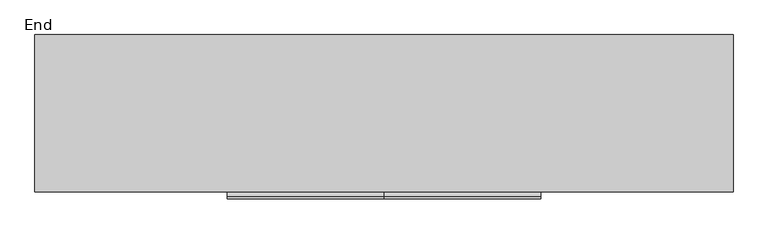
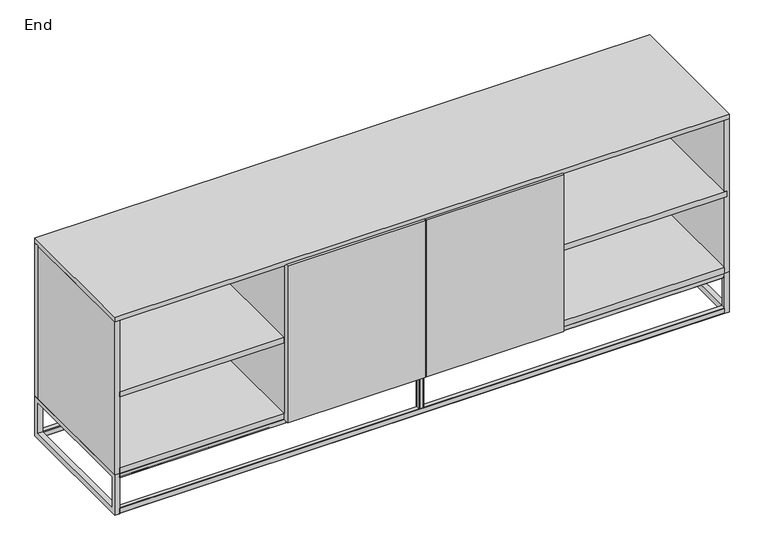
"""IFC4 building model written with IfcOpenShell, lengths in millimetres: furniture geometry, End."""

from ifc_helpers import new_model, si_unit, point, frame, frame_2d, origin, place, context, project, spatial, polyline, circle_curve, trimmed, segment, composite_curve, outline, extrude, source, transform, mapped, element, save


def end_7d967cd8(model_context):
    return source(origin(), model_context, "Body", "SweptSolid", [
        extrude(outline(polyline([(16.1568429, -18.034), (559.4286438, -18.034), (559.4286438, -458.978), (16.1568429, -458.978), (16.1568429, -18.034)])), frame((0.0, 0.0, 407.8117355), z_axis=(0.0, 0.0, 1.0), x_axis=(1.0, 0.0, 0.0)), (0.0, 0.0, 1.0), 18.4786323),
        extrude(outline(polyline([(1472.5775574, -18.034), (2022.6256705, -18.034), (2022.6256705, -458.978), (1472.5775574, -458.978), (1472.5775574, -18.034)])), frame((0.0, 0.0, 407.8117355), z_axis=(0.0, 0.0, 1.0), x_axis=(1.0, 0.0, 0.0)), (0.0, 0.0, 1.0), 18.4786323),
        extrude(outline(polyline([(559.4286438, -18.1323782), (577.9077484, -18.1323782), (577.9077484, -459.2855743), (559.4286438, -459.2855743), (559.4286438, -18.1323782)])), frame((0.0, 0.0, 160.8681423), z_axis=(0.0, 0.0, 1.0), x_axis=(1.0, 0.0, 0.0)), (0.0, 0.0, 1.0), 516.1666224),
        extrude(outline(polyline([(1454.0961273, -18.1323782), (1472.5775574, -18.1323782), (1472.5775574, -459.2855743), (1454.0961273, -459.2855743), (1454.0961273, -18.1323782)])), frame((0.0, 0.0, 160.8681423), z_axis=(0.0, 0.0, 1.0), x_axis=(1.0, 0.0, 0.0)), (0.0, 0.0, 1.0), 515.2381786),
        extrude(outline(polyline([(-460.3780236, 677.0347647), (-460.3780236, 140.97), (-480.4480194, 140.97), (-480.4480194, 689.7347162), (-473.0779751, 689.7347162), (-460.3780236, 677.0347647)])), frame((1017.2402344, 0.0, 0.0), z_axis=(1.0, 0.0, 0.0), x_axis=(0.0, 1.0, 0.0)), (0.0, 0.0, 1.0), 455.337323),
        extrude(outline(polyline([(-460.3780236, 677.0347647), (-460.3780236, 140.97), (-480.4480194, 140.97), (-480.4480194, 689.7347162), (-473.0779751, 689.7347162), (-460.3780236, 677.0347647)])), frame((559.4286438, 0.0, 0.0), z_axis=(1.0, 0.0, 0.0), x_axis=(0.0, 1.0, 0.0)), (0.0, 0.0, 1.0), 455.3326721),
        extrude(outline(composite_curve([segment(polyline([(1006.1586433, -16.0317042), (1006.1586433, -3.8616705)]), True, "CONTINUOUS"), segment(trimmed(circle_curve(frame_2d((1008.2423138, -3.8616705)), 2.0836705), [point((1006.1586433, -3.8616705))], [point((1008.2423138, -1.778))], False, "CARTESIAN"), True, "CONTINUOUS"), segment(polyline([(1008.2423138, -1.778), (1020.0018371, -1.778)]), True, "CONTINUOUS"), segment(trimmed(circle_curve(frame_2d((1020.0018371, -3.81)), 2.032), [point((1020.0018371, -1.778))], [point((1022.0338371, -3.81))], False, "CARTESIAN"), True, "CONTINUOUS"), segment(polyline([(1022.0338371, -3.81), (1022.0338371, -15.9733311)]), True, "CONTINUOUS"), segment(trimmed(circle_curve(frame_2d((1019.9731683, -15.9733311)), 2.0606689), [point((1022.0338371, -15.9733311))], [point((1019.9731683, -18.034))], False, "CARTESIAN"), True, "CONTINUOUS"), segment(polyline([(1019.9731683, -18.034), (1008.1609391, -18.034)]), True, "CONTINUOUS"), segment(trimmed(circle_curve(frame_2d((1008.1609391, -16.0317042)), 2.0022958), [point((1008.1609391, -18.034))], [point((1006.1586433, -16.0317042))], False, "CARTESIAN"), True, "CONTINUOUS")], self_intersect=False)), frame((0.0, 0.0, 19.6253237), z_axis=(0.0, 0.0, 1.0), x_axis=(1.0, 0.0, 0.0)), (0.0, 0.0, 1.0), 105.1706635),
        extrude(outline(composite_curve([segment(trimmed(circle_curve(frame_2d((1008.1609391, -444.7890481)), 2.0022958), [point((1006.1586433, -444.7890481))], [point((1008.1609391, -442.7867523))], False, "CARTESIAN"), True, "CONTINUOUS"), segment(polyline([(1008.1609391, -442.7867523), (1019.9731683, -442.7867523)]), True, "CONTINUOUS"), segment(trimmed(circle_curve(frame_2d((1019.9731683, -444.8474212)), 2.0606689), [point((1019.9731683, -442.7867523))], [point((1022.0338371, -444.8474212))], False, "CARTESIAN"), True, "CONTINUOUS"), segment(polyline([(1022.0338371, -444.8474212), (1022.0338371, -456.946)]), True, "CONTINUOUS"), segment(trimmed(circle_curve(frame_2d((1020.0018371, -456.946)), 2.032), [point((1022.0338371, -456.946))], [point((1020.0018371, -458.978))], False, "CARTESIAN"), True, "CONTINUOUS"), segment(polyline([(1020.0018371, -458.978), (1008.2423138, -458.978)]), True, "CONTINUOUS"), segment(trimmed(circle_curve(frame_2d((1008.2423138, -456.8943295)), 2.0836705), [point((1008.2423138, -458.978))], [point((1006.1586433, -456.8943295))], False, "CARTESIAN"), True, "CONTINUOUS"), segment(polyline([(1006.1586433, -456.8943295), (1006.1586433, -444.7890481)]), True, "CONTINUOUS")], self_intersect=False)), frame((0.0, 0.0, 19.6253237), z_axis=(0.0, 0.0, 1.0), x_axis=(1.0, 0.0, 0.0)), (0.0, 0.0, 1.0), 105.1706635),
        extrude(outline(polyline([(2015.744, -18.034), (2015.744, -458.978), (16.1568429, -458.978), (16.1568429, -18.034), (2015.744, -18.034)])), frame((0.0, 0.0, 140.97), z_axis=(0.0, 0.0, 1.0), x_axis=(1.0, 0.0, 0.0)), (0.0, 0.0, 1.0), 19.8981423),
        extrude(outline(polyline([(2032.0, -1.778), (2032.0, -18.034), (0.0, -18.034), (0.0, -1.778), (2032.0, -1.778)])), frame((0.0, 0.0, 140.97), z_axis=(0.0, 0.0, 1.0), x_axis=(1.0, 0.0, 0.0)), (0.0, 0.0, 1.0), 535.1363209),
        extrude(outline(polyline([(2032.0, -1.778), (2032.0, -459.2855743), (0.0, -459.2855743), (0.0, -1.778), (2032.0, -1.778)])), frame((0.0, 0.0, 676.1063209), z_axis=(0.0, 0.0, 1.0), x_axis=(1.0, 0.0, 0.0)), (0.0, 0.0, 1.0), 16.0436791),
        extrude(outline(polyline([(0.0, -18.034), (16.1568429, -18.034), (16.1568429, -458.978), (0.0, -458.978), (0.0, -18.034)])), frame((0.0, 0.0, 140.97), z_axis=(0.0, 0.0, 1.0), x_axis=(1.0, 0.0, 0.0)), (0.0, 0.0, 1.0), 535.1363209),
        extrude(outline(polyline([(2015.744, -18.034), (2032.0, -18.034), (2032.0, -458.978), (2015.744, -458.978), (2015.744, -18.034)])), frame((0.0, 0.0, 140.97), z_axis=(0.0, 0.0, 1.0), x_axis=(1.0, 0.0, 0.0)), (0.0, 0.0, 1.0), 535.1363209),
        extrude(outline(polyline([(-1.778, 1.3619377), (-3.1399377, 0.0), (-16.3996092, 0.0), (-18.034, 1.7657197), (-18.034, 17.9909329), (-16.3996092, 19.6253237), (-3.1399377, 19.6253237), (-1.778, 18.263386), (-1.778, 1.3619377)])), frame((16.1568429, 0.0, 0.0), z_axis=(1.0, 0.0, 0.0), x_axis=(0.0, 1.0, 0.0)), (0.0, 0.0, 1.0), 1999.5871571),
        extrude(outline(polyline([(-458.978, 1.2971853), (-458.978, 18.3281384), (-457.6808147, 19.6253237), (-444.4211432, 19.6253237), (-442.7867523, 17.9909329), (-442.7867523, 1.7657197), (-444.4211432, 0.0), (-457.6808147, 0.0), (-458.978, 1.2971853)])), frame((16.1568429, 0.0, 0.0), z_axis=(1.0, 0.0, 0.0), x_axis=(0.0, 1.0, 0.0)), (0.0, 0.0, 1.0), 1999.5871571),
        extrude(outline(polyline([(2015.744, -18.034), (2015.744, -442.7867523), (16.1568429, -442.7867523), (16.1568429, -18.034), (2015.744, -18.034)])), frame((0.0, 0.0, 127.5025281), z_axis=(0.0, 0.0, 1.0), x_axis=(1.0, 0.0, 0.0)), (0.0, 0.0, 1.0), 16.0436973),
        extrude(outline(polyline([(2015.744, -18.034), (2015.744, -442.7867523), (16.1568429, -442.7867523), (16.1568429, -18.034), (2015.744, -18.034)])), frame((0.0, 0.0, 124.7959872), z_axis=(0.0, 0.0, 1.0), x_axis=(1.0, 0.0, 0.0)), (0.0, 0.0, 1.0), 16.1740128),
        extrude(outline(polyline([(-1.778, 0.0), (-458.978, 0.0), (-458.978, 140.97), (-1.778, 140.97), (-1.778, 0.0)]), holes=[polyline([(-442.7867523, 124.7959872), (-442.7867523, 19.6253237), (-18.034, 19.6253237), (-18.034, 124.7959872), (-442.7867523, 124.7959872)])]), frame((2015.744, 0.0, 0.0), z_axis=(1.0, 0.0, 0.0), x_axis=(0.0, 1.0, 0.0)), (0.0, 0.0, 1.0), 16.256),
        extrude(outline(polyline([(-1.778, 0.0), (-458.978, 0.0), (-458.978, 140.97), (-1.778, 140.97), (-1.778, 0.0)]), holes=[polyline([(-442.7867523, 124.7959872), (-442.7867523, 19.6253237), (-18.034, 19.6253237), (-18.034, 124.7959872), (-442.7867523, 124.7959872)])]), frame((0.0, 0.0, 0.0), z_axis=(1.0, 0.0, 0.0), x_axis=(0.0, 1.0, 0.0)), (0.0, 0.0, 1.0), 16.1568429),
        extrude(outline(polyline([(-1.778, 126.2882404), (-3.2702531, 124.7959872), (-16.2789862, 124.7959872), (-18.034, 126.6920224), (-18.034, 139.6069648), (-16.6709648, 140.97), (-2.9737057, 140.97), (-1.778, 139.7742943), (-1.778, 126.2882404)])), frame((16.1568429, 0.0, 0.0), z_axis=(1.0, 0.0, 0.0), x_axis=(0.0, 1.0, 0.0)), (0.0, 0.0, 1.0), 1999.5871571),
        extrude(outline(polyline([(-458.978, 126.2882404), (-458.978, 139.7742943), (-457.7822943, 140.97), (-444.2214367, 140.97), (-442.7867523, 139.6717172), (-442.7867523, 126.622067), (-444.6134154, 124.7959872), (-457.4857469, 124.7959872), (-458.978, 126.2882404)])), frame((16.1568429, 0.0, 0.0), z_axis=(1.0, 0.0, 0.0), x_axis=(0.0, 1.0, 0.0)), (0.0, 0.0, 1.0), 1999.5871571),
        extrude(outline(polyline([(-1.778, 128.8644658), (-3.1399377, 127.5025281), (-16.3996092, 127.5025281), (-18.034, 129.2682478), (-18.034, 142.1831902), (-16.6709648, 143.5462254), (-2.9737057, 143.5462254), (-1.778, 142.3505197), (-1.778, 128.8644658)])), frame((16.1568429, 0.0, 0.0), z_axis=(1.0, 0.0, 0.0), x_axis=(0.0, 1.0, 0.0)), (0.0, 0.0, 1.0), 1999.5871571),
        extrude(outline(polyline([(-458.978, 128.8644658), (-458.978, 142.3505197), (-457.7822943, 143.5462254), (-444.2214367, 143.5462254), (-442.7867523, 142.2479425), (-442.7867523, 129.1982924), (-444.4927924, 127.5025281), (-457.6160623, 127.5025281), (-458.978, 128.8644658)])), frame((16.1568429, 0.0, 0.0), z_axis=(1.0, 0.0, 0.0), x_axis=(0.0, 1.0, 0.0)), (0.0, 0.0, 1.0), 1999.5871571),
    ])


if __name__ == "__main__":
    model = new_model("IFC4")
    model_context = context("Model", 3, world=origin())
    ifc_project = project(units=[si_unit("LENGTHUNIT", "METRE", prefix="MILLI")], contexts=[model_context])
    site = spatial("IfcSite", under=ifc_project)
    building = spatial("IfcBuilding", under=site)
    placement = place(None, origin())
    end_shape = end_7d967cd8(model_context)
    element("IfcFurniture", 1, ObjectType="End", at=placement, inside=building, context=model_context, shape_type="MappedRepresentation", body=[
        mapped(end_shape, transform((0.0, 0.0, 0.0), x_axis=(1.0, 0.0, 0.0), y_axis=(0.0, 1.0, 0.0), z_axis=(0.0, 0.0, 1.0))),
    ])
    save(model, "model.ifc")
